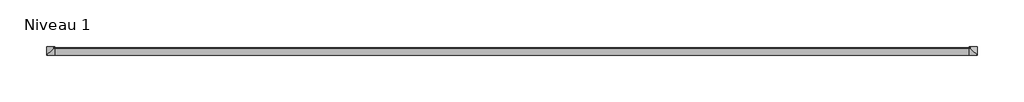
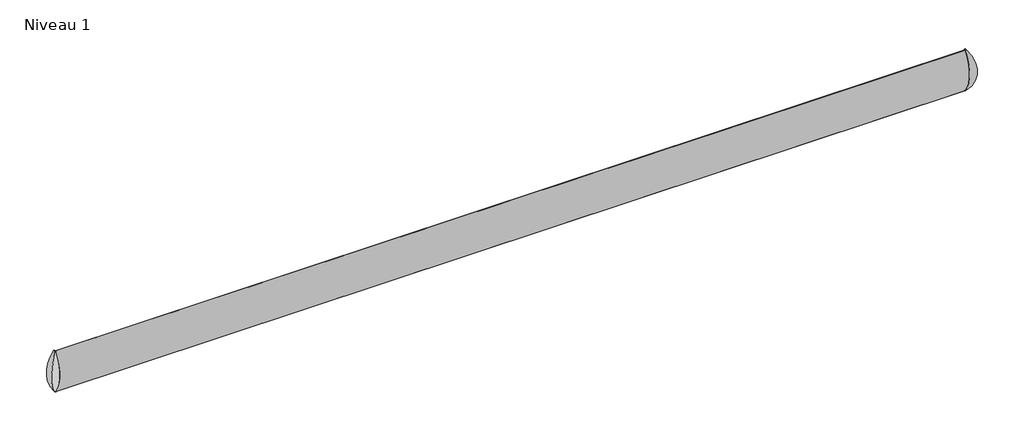
# One storey: 7 proxies, 1 railing.
"""IFC4 building model written with IfcOpenShell, lengths in millimetres."""

import ifcopenshell
import ifcopenshell.guid

model = None  # the IFC model being written
_history = None  # IfcOwnerHistory: only IFC2X3 demands one
_inside = {}  # id of a spatial element -> (the spatial element, [elements in it])
_under = {}  # id of a project, library or spatial element -> (it, [spatial elements below it])
_declared = {}  # id of a project -> (the project, [libraries it declares])
_typed = {}  # id of a type object -> (the type object, [elements of that type])
_made_of = {}  # id of a material, layer set ... -> (it, [elements and type objects made of it])


def new_model(schema):
    """Start an empty IFC model of exactly this schema.

    Asked for "IFC4X3", IfcOpenShell would pick the latest addendum, in which some entities
    have other attributes; the version numbers below select the first issue.
    IFC2X3 requires an IfcOwnerHistory on every rooted entity: one is made here for all.
    """
    global model, _history
    if schema == "IFC4X3":
        model = ifcopenshell.file(schema_version=(4, 3, 0, 0))
    else:
        model = ifcopenshell.file(schema=schema)
    _inside.clear()
    _under.clear()
    _declared.clear()
    _typed.clear()
    _made_of.clear()
    _history = None
    if model.schema == "IFC2X3":
        org = make("IfcOrganization", Name="unknown")
        user = make(
            "IfcPersonAndOrganization",
            ThePerson=make("IfcPerson", FamilyName="unknown"),
            TheOrganization=org,
        )
        app = make(
            "IfcApplication",
            ApplicationDeveloper=org,
            Version="unknown",
            ApplicationFullName="unknown",
            ApplicationIdentifier="unknown",
        )
        _history = make(
            "IfcOwnerHistory",
            OwningUser=user,
            OwningApplication=app,
            ChangeAction="ADDED",
            CreationDate=0,
        )
    return model


def make(cls, **values):
    """One entity of the class cls with the attributes given. An attribute that is None is left unset."""
    return model.create_entity(
        cls, **{name: value for name, value in values.items() if value is not None}
    )


def rooted(cls, **values):
    """An entity with a GlobalId (a new one), such as an element, a storey or a relation."""
    return make(cls, GlobalId=ifcopenshell.guid.new(), OwnerHistory=_history, **values)


def si_unit(unit_type, name, prefix=None):
    """IfcSIUnit, for example si_unit("LENGTHUNIT", "METRE", prefix="MILLI")."""
    return make("IfcSIUnit", UnitType=unit_type, Prefix=prefix, Name=name)


def assignment(units):
    """IfcUnitAssignment: the units of a project."""
    return None if units is None else make("IfcUnitAssignment", Units=units)


def point(xyz):
    """IfcCartesianPoint."""
    return None if xyz is None else make("IfcCartesianPoint", Coordinates=xyz)


def direction(xyz):
    """IfcDirection."""
    return None if xyz is None else make("IfcDirection", DirectionRatios=xyz)


def frame(location, z_axis=None, x_axis=None):
    """IfcAxis2Placement3D, a coordinate frame: its origin and axes. An axis left out is left unset."""
    return make(
        "IfcAxis2Placement3D",
        Location=point(location),
        Axis=direction(z_axis),
        RefDirection=direction(x_axis),
    )


def frame_2d(location, x_axis=None):
    """IfcAxis2Placement2D, a coordinate frame in the plane: its origin and x axis."""
    return make(
        "IfcAxis2Placement2D", Location=point(location), RefDirection=direction(x_axis)
    )


def origin():
    """The frame at (0, 0, 0) with its axes left unset."""
    return frame((0.0, 0.0, 0.0))


def place(relative_to, where):
    """IfcLocalPlacement: puts the frame where relative to a parent placement (None: the world)."""
    return make(
        "IfcLocalPlacement", PlacementRelTo=relative_to, RelativePlacement=where
    )


def context(
    kind, dimensions, precision=None, world=None, true_north=None, identifier=None
):
    """IfcGeometricRepresentationContext, for example the 3D "Model" context."""
    return make(
        "IfcGeometricRepresentationContext",
        ContextIdentifier=identifier,
        ContextType=kind,
        CoordinateSpaceDimension=dimensions,
        Precision=precision,
        WorldCoordinateSystem=world,
        TrueNorth=true_north,
    )


def project(units=None, contexts=None):
    """IfcProject with its units and contexts."""
    return rooted(
        "IfcProject",
        Name="project",
        RepresentationContexts=contexts,
        UnitsInContext=assignment(units),
    )


def spatial(cls, under=None, at=None, **own):
    """A site, building, storey or space (cls), placed at a placement, below another one or the project."""
    s = rooted(cls, ObjectPlacement=at, **own)
    if under is not None:
        _under.setdefault(under.id(), (under, []))[1].append(s)
    return s


def polyline(points):
    """IfcPolyline through the points."""
    return make("IfcPolyline", Points=[point(p) for p in points])


def circle_curve(where, radius):
    """IfcCircle in the frame where."""
    return make("IfcCircle", Position=where, Radius=radius)


def ellipse_curve(where, semi_axis1, semi_axis2):
    """IfcEllipse in the frame where."""
    return make(
        "IfcEllipse", Position=where, SemiAxis1=semi_axis1, SemiAxis2=semi_axis2
    )


def trimmed(basis, trim1, trim2, sense, master):
    """IfcTrimmedCurve: the piece of a basis curve between two trims."""
    return make(
        "IfcTrimmedCurve",
        BasisCurve=basis,
        Trim1=trim1,
        Trim2=trim2,
        SenseAgreement=sense,
        MasterRepresentation=master,
    )


def segment(curve, same_sense, transition):
    """IfcCompositeCurveSegment."""
    return make(
        "IfcCompositeCurveSegment",
        Transition=transition,
        SameSense=same_sense,
        ParentCurve=curve,
    )


def composite_curve(segments, self_intersect=None):
    """IfcCompositeCurve: segments joined end to end."""
    return make("IfcCompositeCurve", Segments=segments, SelfIntersect=self_intersect)


def outline(outer, holes=None, kind="AREA"):
    """IfcArbitraryClosedProfileDef: a profile drawn as a closed curve; with holes, ...WithVoids."""
    if holes is None:
        return make("IfcArbitraryClosedProfileDef", ProfileType=kind, OuterCurve=outer)
    return make(
        "IfcArbitraryProfileDefWithVoids",
        ProfileType=kind,
        OuterCurve=outer,
        InnerCurves=holes,
    )


def extrude(swept, where, along, depth):
    """IfcExtrudedAreaSolid: the profile swept, set in the frame where, extruded along a direction by depth."""
    return make(
        "IfcExtrudedAreaSolid",
        SweptArea=swept,
        Position=where,
        ExtrudedDirection=direction(along),
        Depth=depth,
    )


def shape(context_of_items, identifier, shape_type, items):
    """IfcShapeRepresentation: the items that make up one representation, for example the "Body"."""
    return make(
        "IfcShapeRepresentation",
        ContextOfItems=context_of_items,
        RepresentationIdentifier=identifier,
        RepresentationType=shape_type,
        Items=items,
    )


def source(mapping_origin, context_of_items, identifier, shape_type, items):
    """IfcRepresentationMap: a shape defined once, which mapped items show again and again."""
    return make(
        "IfcRepresentationMap",
        MappingOrigin=mapping_origin,
        MappedRepresentation=shape(context_of_items, identifier, shape_type, items),
    )


def transform(
    local_origin,
    x_axis=None,
    y_axis=None,
    z_axis=None,
    scale=None,
    scale2=None,
    scale3=None,
    uniform=True,
):
    """IfcCartesianTransformationOperator3D, or its non-uniform kind. x_axis, y_axis, z_axis: its Axis1, 2, 3."""
    if uniform:
        return make(
            "IfcCartesianTransformationOperator3D",
            Axis1=direction(x_axis),
            Axis2=direction(y_axis),
            LocalOrigin=point(local_origin),
            Scale=scale,
            Axis3=direction(z_axis),
        )
    return make(
        "IfcCartesianTransformationOperator3DnonUniform",
        Axis1=direction(x_axis),
        Axis2=direction(y_axis),
        LocalOrigin=point(local_origin),
        Scale=scale,
        Axis3=direction(z_axis),
        Scale2=scale2,
        Scale3=scale3,
    )


def mapped(mapping_source, mapping_target):
    """IfcMappedItem: shows the shape of a source again, moved by a transform."""
    return make(
        "IfcMappedItem", MappingSource=mapping_source, MappingTarget=mapping_target
    )


def made_of(thing, what):
    """Note that an element or type object is made of a material, layer set ...; save() writes the relation."""
    if what is not None:
        _made_of.setdefault(what.id(), (what, []))[1].append(thing)
    return thing


def element(
    cls,
    number,
    at=None,
    inside=None,
    cuts=None,
    type_object=None,
    material=None,
    context=None,
    identifier="Body",
    shape_type=None,
    held_by="IfcProductDefinitionShape",
    body=None,
    shapes=None,
    **own,
):
    """One element of the class cls, such as IfcWall. Its Tag is "e" and its number.

    at: its placement. inside: the storey or other place that contains it. cuts: it is an
    opening in that element (IfcRelVoidsElement). A single representation is given by context,
    identifier, shape_type and body (its items); several are given by shapes. held_by: the class
    of the entity that holds the representations. save() writes the other relations.
    """
    e = rooted(cls, Tag="e%d" % number, ObjectPlacement=at, **own)
    if body is not None:
        shapes = [shape(context, identifier, shape_type, body)]
    if shapes is not None:
        e.Representation = make(held_by, Representations=shapes)
    if inside is not None:
        _inside.setdefault(inside.id(), (inside, []))[1].append(e)
    if cuts is not None:
        rooted(
            "IfcRelVoidsElement", RelatingBuildingElement=cuts, RelatedOpeningElement=e
        )
    if type_object is not None:
        _typed.setdefault(type_object.id(), (type_object, []))[1].append(e)
    return made_of(e, material)


def aggregate(whole, parts):
    """IfcRelAggregates: a whole, such as a stair, and the parts it consists of."""
    return rooted("IfcRelAggregates", RelatingObject=whole, RelatedObjects=parts)


def save(model, path):
    """Write the relations noted so far, then the file.

    IfcRelAggregates (storeys below a building ...), IfcRelContainedInSpatialStructure (elements
    in a storey), IfcRelDefinesByType, IfcRelAssociatesMaterial and IfcRelDeclares: one each for
    every whole, place, type object, material and project.
    """
    for whole, parts in _under.values():
        aggregate(whole, parts)
    for where, things in _inside.values():
        rooted(
            "IfcRelContainedInSpatialStructure",
            RelatedElements=things,
            RelatingStructure=where,
        )
    for kind, things in _typed.values():
        rooted("IfcRelDefinesByType", RelatedObjects=things, RelatingType=kind)
    for what, things in _made_of.values():
        rooted("IfcRelAssociatesMaterial", RelatedObjects=things, RelatingMaterial=what)
    for by, libraries in _declared.values():
        rooted("IfcRelDeclares", RelatingContext=by, RelatedDefinitions=libraries)
    model.write(path)


def plane_surface(at):
    """IfcPlane: the flat surface through the origin of the frame at, square to its z axis."""
    return make("IfcPlane", Position=at)


def cylinder_surface(at, radius):
    """IfcCylindricalSurface: all points at the distance radius from the z axis of the frame at."""
    return make("IfcCylindricalSurface", Position=at, Radius=radius)


def advanced_brep(points, edges, surfaces, faces):
    """IfcAdvancedBrep: a solid bounded by faces that lie on surfaces and meet in shared edges.

    An edge is (start, end): straight between two places in points (the first is 0);
    or (start, end, curve); or (start, end, curve, False) where it runs against its curve.
    A face is (place in surfaces, loops), or (place, loops, False) where it looks against
    its surface's normal. A loop lists edges by number (the first is 1), with a minus sign
    where the edge is run from its end to its start. The first loop is the outer one.
    """
    corners = [point(p) for p in points]
    vertices = [make("IfcVertexPoint", VertexGeometry=c) for c in corners]
    made = []
    for start, end, *more in edges:
        made.append(
            make(
                "IfcEdgeCurve",
                EdgeStart=vertices[start],
                EdgeEnd=vertices[end],
                EdgeGeometry=more[0] if more else make("IfcPolyline", Points=[corners[start], corners[end]]),
                SameSense=more[1] if len(more) > 1 else True,
            )
        )
    hull = []
    for where, loops, *sense in faces:
        bounds = []
        for j, loop in enumerate(loops):
            ring = [make("IfcOrientedEdge", EdgeElement=made[abs(k) - 1], Orientation=k > 0) for k in loop]
            bounds.append(
                make(
                    "IfcFaceOuterBound" if j == 0 else "IfcFaceBound",
                    Bound=make("IfcEdgeLoop", EdgeList=ring),
                    Orientation=True,
                )
            )
        hull.append(make("IfcAdvancedFace", Bounds=bounds, FaceSurface=surfaces[where], SameSense=sense[0] if sense else True))
    return make("IfcAdvancedBrep", Outer=make("IfcClosedShell", CfsFaces=hull))


def building_element_proxy_d8a5edaf(model_context):
    return source(origin(), model_context, "Body", "SweptSolid", [
        extrude(outline(polyline([(32.5229716, 77.75), (32.5229716, 5.1840596), (30.6033364, 5.1840596), (30.6033364, 6.3499823), (31.5229716, 6.3499823), (31.5229716, 76.75), (23.5229716, 76.75), (23.5229716, 95.5025015), (21.4409974, 95.5025015), (21.4409974, 93.0738385), (20.5669924, 93.0738385), (20.5669924, 96.3950575), (23.5229716, 96.3950575), (23.5229716, 107.1049425), (20.5669924, 107.1049425), (20.5669924, 110.4261615), (21.4409974, 110.4261615), (21.4409974, 107.9974985), (23.5229716, 107.9974985), (23.5229716, 126.75), (31.5229716, 126.75), (31.5229716, 197.1500177), (30.6033364, 197.1500177), (30.6033364, 198.3159404), (32.5229716, 198.3159404), (32.5229716, 125.75), (24.5229716, 125.75), (24.5229716, 101.75), (24.5229716, 77.75), (32.5229716, 77.75)])), frame((-20.4559659, 0.0, 0.0), z_axis=(1.0, 0.0, 0.0), x_axis=(0.0, 1.0, 0.0)), (0.0, 0.0, 1.0), 40.7996964),
    ])


model = new_model("IFC4")

# Units and contexts
model_context = context("Model", 3, world=origin())
ifc_project = project(units=[si_unit("LENGTHUNIT", "METRE", prefix="MILLI")], contexts=[model_context])

# Site, building, storey
site = spatial("IfcSite", under=ifc_project)
building = spatial("IfcBuilding", under=site)
storey = spatial("IfcBuildingStorey", under=building, Name="Niveau 1", Elevation=0.0)

# Proxies
placement = place(None, origin())
building_element_proxy_shape = building_element_proxy_d8a5edaf(model_context)
element("IfcBuildingElementProxy", 1, Name="Building Element Proxy", at=placement, inside=storey, context=model_context, shape_type="MappedRepresentation", body=[
    mapped(building_element_proxy_shape, transform((-4213.945103, 327.7182075, 720.6550072), x_axis=(1.0, 0.0, 0.0), y_axis=(0.0, 1.0, 0.0), z_axis=(0.0, 0.0, 1.0))),
])
element("IfcBuildingElementProxy", 2, Name="Building Element Proxy", at=placement, inside=storey, context=model_context, shape_type="MappedRepresentation", body=[
    mapped(building_element_proxy_shape, transform((-3613.945103, 327.7182075, 720.6550072), x_axis=(1.0, 0.0, 0.0), y_axis=(0.0, 1.0, 0.0), z_axis=(0.0, 0.0, 1.0))),
])
element("IfcBuildingElementProxy", 3, Name="Building Element Proxy", at=placement, inside=storey, context=model_context, shape_type="MappedRepresentation", body=[
    mapped(building_element_proxy_shape, transform((-3013.945103, 327.7182075, 720.6550072), x_axis=(1.0, 0.0, 0.0), y_axis=(0.0, 1.0, 0.0), z_axis=(0.0, 0.0, 1.0))),
])
element("IfcBuildingElementProxy", 4, Name="Building Element Proxy", at=placement, inside=storey, context=model_context, shape_type="MappedRepresentation", body=[
    mapped(building_element_proxy_shape, transform((-2413.945103, 327.7182075, 720.6550072), x_axis=(1.0, 0.0, 0.0), y_axis=(0.0, 1.0, 0.0), z_axis=(0.0, 0.0, 1.0))),
])
element("IfcBuildingElementProxy", 5, Name="Building Element Proxy", at=placement, inside=storey, context=model_context, shape_type="MappedRepresentation", body=[
    mapped(building_element_proxy_shape, transform((-1813.945103, 327.7182075, 720.6550072), x_axis=(1.0, 0.0, 0.0), y_axis=(0.0, 1.0, 0.0), z_axis=(0.0, 0.0, 1.0))),
])
element("IfcBuildingElementProxy", 6, Name="Building Element Proxy", at=placement, inside=storey, context=model_context, shape_type="MappedRepresentation", body=[
    mapped(building_element_proxy_shape, transform((-1213.945103, 327.7182075, 720.6550072), x_axis=(1.0, 0.0, 0.0), y_axis=(0.0, 1.0, 0.0), z_axis=(0.0, 0.0, 1.0))),
])
element("IfcBuildingElementProxy", 7, Name="Building Element Proxy", at=placement, inside=storey, context=model_context, shape_type="MappedRepresentation", body=[
    mapped(building_element_proxy_shape, transform((-613.945103, 327.7182075, 720.6550072), x_axis=(1.0, 0.0, 0.0), y_axis=(0.0, 1.0, 0.0), z_axis=(0.0, 0.0, 1.0))),
])

# Railing
element("IfcRailing", 8, at=placement, inside=storey, context=model_context, shape_type="SolidModel", body=[
    advanced_brep(
    [(-263.945103, 359.7408846, 720.7856883), (-263.945103, 358.761773, 720.9222417), (-263.945103, 358.761773, 923.9222417), (-263.945103, 359.7408846, 924.0587952), (-263.945103, 365.8874134, 924.0587952), (-263.945103, 365.8874134, 720.7856883), (-260.8215458, 365.8874134, 924.0587952), (-259.8424341, 365.8874134, 923.9222417), (-259.8424341, 365.8874134, 720.9222417), (-260.8215458, 365.8874134, 720.7856883), (-260.8215458, 359.7408846, 924.0587952), (-259.8424341, 358.761773, 923.9222417), (-259.8424341, 358.761773, 720.9222417), (-260.8215458, 359.7408846, 720.7856883)],
    [
        (0, 1, circle_curve(frame((-263.945103, 359.3196055, 721.3435209), z_axis=(-1.0, 0.0, 0.0), x_axis=(0.0, 1.0, 0.0)), 0.6990374)),
        (1, 2, circle_curve(frame((-263.945103, 493.1619843, 822.4222417), z_axis=(-1.0, 0.0, 0.0), x_axis=(0.0, 1.0, 0.0)), 168.4210996)),
        (2, 3, circle_curve(frame((-263.945103, 359.3196055, 923.5009626), z_axis=(-1.0, 0.0, 0.0), x_axis=(0.0, 1.0, 0.0)), 0.6990374)),
        (3, 4),
        (4, 5),
        (5, 0),
        (4, 6),
        (6, 7, circle_curve(frame((-260.4002667, 365.8874134, 923.5009626), z_axis=(0.0, 1.0, 0.0), x_axis=(-1.0, 0.0, 0.0)), 0.6990374)),
        (7, 8, circle_curve(frame((-394.2426454, 365.8874134, 822.4222417), z_axis=(0.0, 1.0, 0.0), x_axis=(-1.0, 0.0, 0.0)), 168.4210996)),
        (8, 9, circle_curve(frame((-260.4002667, 365.8874134, 721.3435209), z_axis=(0.0, 1.0, 0.0), x_axis=(-1.0, 0.0, 0.0)), 0.6990374)),
        (9, 5),
        (10, 11, ellipse_curve(frame((-260.4002667, 359.3196055, 923.5009626), z_axis=(0.7071067811865527, 0.7071067811865424, 0.0), x_axis=(0.7071067811865424, -0.7071067811865527, 0.0)), 0.9885881, 0.6990374)),
        (11, 7),
        (6, 10),
        (11, 12, ellipse_curve(frame((-394.2426454, 493.1619843, 822.4222417), z_axis=(0.7071067811865527, 0.7071067811865424, 0.0), x_axis=(0.7071067811865424, -0.7071067811865527, 0.0)), 238.1834033, 168.4210996)),
        (12, 8),
        (12, 13, ellipse_curve(frame((-260.4002667, 359.3196055, 721.3435209), z_axis=(0.7071067811865527, 0.7071067811865424, 0.0), x_axis=(0.7071067811865424, -0.7071067811865527, 0.0)), 0.9885881, 0.6990374)),
        (13, 9),
        (3, 10),
        (2, 11),
        (1, 12),
        (0, 13),
    ],
    [
        plane_surface(frame((-263.945103, 356.1390394, 853.4222417), z_axis=(-1.0, 0.0, 0.0), x_axis=(0.0, 0.0, 1.0))),
        plane_surface(frame((-257.2197006, 365.8874134, 853.4222417), z_axis=(0.0, 1.0, 0.0), x_axis=(0.0, 0.0, 1.0))),
        cylinder_surface(frame((-260.4002667, 356.1390394, 923.5009626), z_axis=(0.0, -1.0, 0.0), x_axis=(-1.0, 0.0, 0.0)), 0.6990374),
        cylinder_surface(frame((-394.2426454, 356.1390394, 822.4222417), z_axis=(0.0, -1.0, 0.0), x_axis=(-1.0, 0.0, 0.0)), 168.4210996),
        cylinder_surface(frame((-260.4002667, 356.1390394, 721.3435209), z_axis=(0.0, -1.0, 0.0), x_axis=(-1.0, 0.0, 0.0)), 0.6990374),
        plane_surface(frame((-263.945103, 359.7408846, 924.0587952), z_axis=(0.0, 0.0, 1.0), x_axis=(1.0, 0.0, 0.0))),
        cylinder_surface(frame((-263.945103, 359.3196055, 923.5009626), z_axis=(-1.0, 0.0, 0.0), x_axis=(0.0, 1.0, 0.0)), 0.6990374),
        cylinder_surface(frame((-263.945103, 493.1619843, 822.4222417), z_axis=(-1.0, 0.0, 0.0), x_axis=(0.0, 1.0, 0.0)), 168.4210996),
        cylinder_surface(frame((-263.945103, 359.3196055, 721.3435209), z_axis=(-1.0, 0.0, 0.0), x_axis=(0.0, 1.0, 0.0)), 0.6990374),
        plane_surface(frame((-263.945103, 362.8644418, 720.7856883), z_axis=(0.0, 0.0, -1.0), x_axis=(1.0, 0.0, 0.0))),
    ],
    [
        (0, [[1, 2, 3, 4, 5, 6]]),
        (1, [[7, 8, 9, 10, 11, -5]]),
        (2, [[12, 13, -8, 14]]),
        (3, [[15, 16, -9, -13]]),
        (4, [[17, 18, -10, -16]]),
        (5, [[-4, 19, -14, -7]]),
        (6, [[-3, 20, -12, -19]]),
        (7, [[-2, 21, -15, -20]]),
        (8, [[-1, 22, -17, -21]]),
        (9, [[-6, -11, -18, -22]]),
    ],
),
    advanced_brep(
    [(-4563.945103, 359.702473, 924.0587952), (-4563.945103, 358.7233613, 923.9222417), (-4563.945103, 358.7233613, 720.9222417), (-4563.945103, 359.702473, 720.7856883), (-4563.945103, 365.8490017, 720.7856883), (-4563.945103, 365.8490017, 924.0587952), (-4567.0686601, 365.8490017, 720.7856883), (-4568.0477718, 365.8490017, 720.9222417), (-4568.0477718, 365.8490017, 923.9222417), (-4567.0686601, 365.8490017, 924.0587952), (-4568.0477718, 358.7233613, 923.9222417), (-4567.0686601, 359.702473, 924.0587952), (-4568.0477718, 358.7233613, 720.9222417), (-4567.0686601, 359.702473, 720.7856883)],
    [
        (0, 1, circle_curve(frame((-4563.945103, 359.2811939, 923.5009626), z_axis=(1.0, 0.0, 0.0), x_axis=(0.0, -1.0, 0.0)), 0.6990374)),
        (1, 2, circle_curve(frame((-4563.945103, 493.1235726, 822.4222417), z_axis=(1.0, 0.0, 0.0), x_axis=(0.0, -1.0, 0.0)), 168.4210996)),
        (2, 3, circle_curve(frame((-4563.945103, 359.2811939, 721.3435209), z_axis=(1.0, 0.0, 0.0), x_axis=(0.0, -1.0, 0.0)), 0.6990374)),
        (3, 4),
        (4, 5),
        (5, 0),
        (4, 6),
        (6, 7, circle_curve(frame((-4567.4899392, 365.8490017, 721.3435209), z_axis=(0.0, 1.0, 0.0), x_axis=(-1.0, 0.0, 0.0)), 0.6990374)),
        (7, 8, circle_curve(frame((-4433.6475605, 365.8490017, 822.4222417), z_axis=(0.0, 1.0, 0.0), x_axis=(-1.0, 0.0, 0.0)), 168.4210996)),
        (8, 9, circle_curve(frame((-4567.4899392, 365.8490017, 923.5009626), z_axis=(0.0, 1.0, 0.0), x_axis=(-1.0, 0.0, 0.0)), 0.6990374)),
        (9, 5),
        (10, 11, ellipse_curve(frame((-4567.4899392, 359.2811939, 923.5009626), z_axis=(-0.7071067811865447, 0.7071067811865501, 0.0), x_axis=(-0.7071067811865499, -0.707106781186545, 0.0)), 0.9885881, 0.6990374)),
        (11, 9),
        (8, 10),
        (12, 10, ellipse_curve(frame((-4433.6475605, 493.1235726, 822.4222417), z_axis=(-0.7071067811865447, 0.7071067811865501, 0.0), x_axis=(-0.7071067811865499, -0.707106781186545, 0.0)), 238.1834033, 168.4210996)),
        (7, 12),
        (13, 12, ellipse_curve(frame((-4567.4899392, 359.2811939, 721.3435209), z_axis=(-0.7071067811865447, 0.7071067811865501, 0.0), x_axis=(-0.7071067811865499, -0.707106781186545, 0.0)), 0.9885881, 0.6990374)),
        (6, 13),
        (11, 0),
        (10, 1),
        (12, 2),
        (13, 3),
    ],
    [
        plane_surface(frame((-4563.945103, 356.1006278, 853.4222417), z_axis=(1.0, 0.0, 0.0), x_axis=(0.0, 0.0, 1.0))),
        plane_surface(frame((-4570.6705053, 365.8490017, 853.4222417), z_axis=(0.0, 1.0, 0.0), x_axis=(0.0, 0.0, 1.0))),
        cylinder_surface(frame((-4567.4899392, 356.1006278, 923.5009626), z_axis=(0.0, -1.0, 0.0), x_axis=(-1.0, 0.0, 0.0)), 0.6990374),
        cylinder_surface(frame((-4433.6475605, 356.1006278, 822.4222417), z_axis=(0.0, -1.0, 0.0), x_axis=(-1.0, 0.0, 0.0)), 168.4210996),
        cylinder_surface(frame((-4567.4899392, 356.1006278, 721.3435209), z_axis=(0.0, -1.0, 0.0), x_axis=(-1.0, 0.0, 0.0)), 0.6990374),
        plane_surface(frame((-4563.945103, 362.8260302, 924.0587952), z_axis=(0.0, 0.0, 1.0), x_axis=(-1.0, 0.0, 0.0))),
        cylinder_surface(frame((-4563.945103, 359.2811939, 923.5009626), z_axis=(1.0, 0.0, 0.0), x_axis=(0.0, -1.0, 0.0)), 0.6990374),
        cylinder_surface(frame((-4563.945103, 493.1235726, 822.4222417), z_axis=(1.0, 0.0, 0.0), x_axis=(0.0, -1.0, 0.0)), 168.4210996),
        cylinder_surface(frame((-4563.945103, 359.2811939, 721.3435209), z_axis=(1.0, 0.0, 0.0), x_axis=(0.0, -1.0, 0.0)), 0.6990374),
        plane_surface(frame((-4563.945103, 359.702473, 720.7856883), z_axis=(0.0, 0.0, -1.0), x_axis=(-1.0, 0.0, 0.0))),
    ],
    [
        (0, [[1, 2, 3, 4, 5, 6]]),
        (1, [[-5, 7, 8, 9, 10, 11]]),
        (2, [[12, 13, -10, 14]]),
        (3, [[15, -14, -9, 16]]),
        (4, [[17, -16, -8, 18]]),
        (5, [[-6, -11, -13, 19]]),
        (6, [[-1, -19, -12, 20]]),
        (7, [[-2, -20, -15, 21]]),
        (8, [[-3, -21, -17, 22]]),
        (9, [[-4, -22, -18, -7]]),
    ],
),
    extrude(outline(composite_curve([segment(polyline([(359.7254446, 919.0693188), (358.7254446, 919.0693188), (358.7254446, 922.2365357)]), True, "CONTINUOUS"), segment(trimmed(circle_curve(frame_2d((493.1465442, 822.4327654)), 167.4210996), [point((358.7254446, 922.2365357))], [point((358.7254446, 722.6289951))], True, "CARTESIAN"), True, "CONTINUOUS"), segment(polyline([(358.7254446, 722.6289951), (358.7254446, 725.796212), (359.7254446, 725.796212), (359.7254446, 720.796212)]), True, "CONTINUOUS"), segment(trimmed(circle_curve(frame_2d((359.3041655, 721.3540445)), 0.6990374), [point((359.7254446, 720.796212))], [point((358.7463329, 720.9327654))], False, "CARTESIAN"), True, "CONTINUOUS"), segment(trimmed(circle_curve(frame_2d((493.1465442, 822.4327654)), 168.4210996), [point((358.7463329, 720.9327654))], [point((358.7463329, 923.9327654))], False, "CARTESIAN"), True, "CONTINUOUS"), segment(trimmed(circle_curve(frame_2d((359.3041655, 923.5114863)), 0.6990374), [point((358.7463329, 923.9327654))], [point((359.7254446, 924.0693188))], False, "CARTESIAN"), True, "CONTINUOUS"), segment(polyline([(359.7254446, 924.0693188), (359.7254446, 919.0693188)]), True, "CONTINUOUS")], self_intersect=False)), frame((-4563.945103, 0.0, 0.0), z_axis=(1.0, 0.0, 0.0), x_axis=(0.0, 1.0, 0.0)), (0.0, 0.0, 1.0), 4300.0),
])

save(model, "model.ifc")
